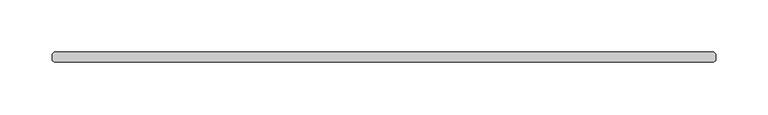
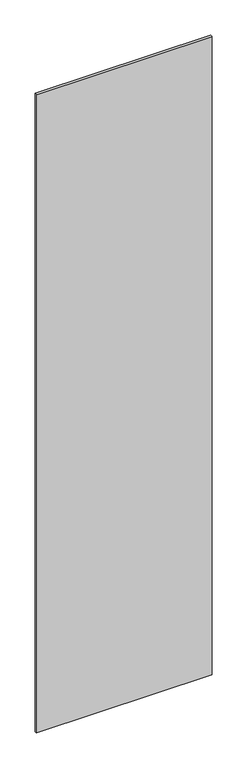
"""IFC4 building model written with IfcOpenShell, lengths in millimetres: plate geometry."""

import ifcopenshell
import ifcopenshell.guid

model = None  # the IFC model being written
_history = None  # IfcOwnerHistory: only IFC2X3 demands one
_inside = {}  # id of a spatial element -> (the spatial element, [elements in it])
_under = {}  # id of a project, library or spatial element -> (it, [spatial elements below it])
_declared = {}  # id of a project -> (the project, [libraries it declares])
_typed = {}  # id of a type object -> (the type object, [elements of that type])
_made_of = {}  # id of a material, layer set ... -> (it, [elements and type objects made of it])


def new_model(schema):
    """Start an empty IFC model of exactly this schema.

    Asked for "IFC4X3", IfcOpenShell would pick the latest addendum, in which some entities
    have other attributes; the version numbers below select the first issue.
    IFC2X3 requires an IfcOwnerHistory on every rooted entity: one is made here for all.
    """
    global model, _history
    if schema == "IFC4X3":
        model = ifcopenshell.file(schema_version=(4, 3, 0, 0))
    else:
        model = ifcopenshell.file(schema=schema)
    _inside.clear()
    _under.clear()
    _declared.clear()
    _typed.clear()
    _made_of.clear()
    _history = None
    if model.schema == "IFC2X3":
        org = make("IfcOrganization", Name="unknown")
        user = make(
            "IfcPersonAndOrganization",
            ThePerson=make("IfcPerson", FamilyName="unknown"),
            TheOrganization=org,
        )
        app = make(
            "IfcApplication",
            ApplicationDeveloper=org,
            Version="unknown",
            ApplicationFullName="unknown",
            ApplicationIdentifier="unknown",
        )
        _history = make(
            "IfcOwnerHistory",
            OwningUser=user,
            OwningApplication=app,
            ChangeAction="ADDED",
            CreationDate=0,
        )
    return model


def make(cls, **values):
    """One entity of the class cls with the attributes given. An attribute that is None is left unset."""
    return model.create_entity(
        cls, **{name: value for name, value in values.items() if value is not None}
    )


def rooted(cls, **values):
    """An entity with a GlobalId (a new one), such as an element, a storey or a relation."""
    return make(cls, GlobalId=ifcopenshell.guid.new(), OwnerHistory=_history, **values)


def si_unit(unit_type, name, prefix=None):
    """IfcSIUnit, for example si_unit("LENGTHUNIT", "METRE", prefix="MILLI")."""
    return make("IfcSIUnit", UnitType=unit_type, Prefix=prefix, Name=name)


def assignment(units):
    """IfcUnitAssignment: the units of a project."""
    return None if units is None else make("IfcUnitAssignment", Units=units)


def point(xyz):
    """IfcCartesianPoint."""
    return None if xyz is None else make("IfcCartesianPoint", Coordinates=xyz)


def direction(xyz):
    """IfcDirection."""
    return None if xyz is None else make("IfcDirection", DirectionRatios=xyz)


def frame(location, z_axis=None, x_axis=None):
    """IfcAxis2Placement3D, a coordinate frame: its origin and axes. An axis left out is left unset."""
    return make(
        "IfcAxis2Placement3D",
        Location=point(location),
        Axis=direction(z_axis),
        RefDirection=direction(x_axis),
    )


def origin():
    """The frame at (0, 0, 0) with its axes left unset."""
    return frame((0.0, 0.0, 0.0))


def origin_with_axes():
    """The frame at (0, 0, 0) with the z axis (0, 0, 1) and the x axis (1, 0, 0) written out."""
    return frame((0.0, 0.0, 0.0), z_axis=(0.0, 0.0, 1.0), x_axis=(1.0, 0.0, 0.0))


def place(relative_to, where):
    """IfcLocalPlacement: puts the frame where relative to a parent placement (None: the world)."""
    return make(
        "IfcLocalPlacement", PlacementRelTo=relative_to, RelativePlacement=where
    )


def context(
    kind, dimensions, precision=None, world=None, true_north=None, identifier=None
):
    """IfcGeometricRepresentationContext, for example the 3D "Model" context."""
    return make(
        "IfcGeometricRepresentationContext",
        ContextIdentifier=identifier,
        ContextType=kind,
        CoordinateSpaceDimension=dimensions,
        Precision=precision,
        WorldCoordinateSystem=world,
        TrueNorth=true_north,
    )


def project(units=None, contexts=None):
    """IfcProject with its units and contexts."""
    return rooted(
        "IfcProject",
        Name="project",
        RepresentationContexts=contexts,
        UnitsInContext=assignment(units),
    )


def spatial(cls, under=None, at=None, **own):
    """A site, building, storey or space (cls), placed at a placement, below another one or the project."""
    s = rooted(cls, ObjectPlacement=at, **own)
    if under is not None:
        _under.setdefault(under.id(), (under, []))[1].append(s)
    return s


def polyline(points):
    """IfcPolyline through the points."""
    return make("IfcPolyline", Points=[point(p) for p in points])


def outline(outer, holes=None, kind="AREA"):
    """IfcArbitraryClosedProfileDef: a profile drawn as a closed curve; with holes, ...WithVoids."""
    if holes is None:
        return make("IfcArbitraryClosedProfileDef", ProfileType=kind, OuterCurve=outer)
    return make(
        "IfcArbitraryProfileDefWithVoids",
        ProfileType=kind,
        OuterCurve=outer,
        InnerCurves=holes,
    )


def extrude(swept, where, along, depth):
    """IfcExtrudedAreaSolid: the profile swept, set in the frame where, extruded along a direction by depth."""
    return make(
        "IfcExtrudedAreaSolid",
        SweptArea=swept,
        Position=where,
        ExtrudedDirection=direction(along),
        Depth=depth,
    )


def shape(context_of_items, identifier, shape_type, items):
    """IfcShapeRepresentation: the items that make up one representation, for example the "Body"."""
    return make(
        "IfcShapeRepresentation",
        ContextOfItems=context_of_items,
        RepresentationIdentifier=identifier,
        RepresentationType=shape_type,
        Items=items,
    )


def source(mapping_origin, context_of_items, identifier, shape_type, items):
    """IfcRepresentationMap: a shape defined once, which mapped items show again and again."""
    return make(
        "IfcRepresentationMap",
        MappingOrigin=mapping_origin,
        MappedRepresentation=shape(context_of_items, identifier, shape_type, items),
    )


def transform(
    local_origin,
    x_axis=None,
    y_axis=None,
    z_axis=None,
    scale=None,
    scale2=None,
    scale3=None,
    uniform=True,
):
    """IfcCartesianTransformationOperator3D, or its non-uniform kind. x_axis, y_axis, z_axis: its Axis1, 2, 3."""
    if uniform:
        return make(
            "IfcCartesianTransformationOperator3D",
            Axis1=direction(x_axis),
            Axis2=direction(y_axis),
            LocalOrigin=point(local_origin),
            Scale=scale,
            Axis3=direction(z_axis),
        )
    return make(
        "IfcCartesianTransformationOperator3DnonUniform",
        Axis1=direction(x_axis),
        Axis2=direction(y_axis),
        LocalOrigin=point(local_origin),
        Scale=scale,
        Axis3=direction(z_axis),
        Scale2=scale2,
        Scale3=scale3,
    )


def mapped(mapping_source, mapping_target):
    """IfcMappedItem: shows the shape of a source again, moved by a transform."""
    return make(
        "IfcMappedItem", MappingSource=mapping_source, MappingTarget=mapping_target
    )


def made_of(thing, what):
    """Note that an element or type object is made of a material, layer set ...; save() writes the relation."""
    if what is not None:
        _made_of.setdefault(what.id(), (what, []))[1].append(thing)
    return thing


def element(
    cls,
    number,
    at=None,
    inside=None,
    cuts=None,
    type_object=None,
    material=None,
    context=None,
    identifier="Body",
    shape_type=None,
    held_by="IfcProductDefinitionShape",
    body=None,
    shapes=None,
    **own,
):
    """One element of the class cls, such as IfcWall. Its Tag is "e" and its number.

    at: its placement. inside: the storey or other place that contains it. cuts: it is an
    opening in that element (IfcRelVoidsElement). A single representation is given by context,
    identifier, shape_type and body (its items); several are given by shapes. held_by: the class
    of the entity that holds the representations. save() writes the other relations.
    """
    e = rooted(cls, Tag="e%d" % number, ObjectPlacement=at, **own)
    if body is not None:
        shapes = [shape(context, identifier, shape_type, body)]
    if shapes is not None:
        e.Representation = make(held_by, Representations=shapes)
    if inside is not None:
        _inside.setdefault(inside.id(), (inside, []))[1].append(e)
    if cuts is not None:
        rooted(
            "IfcRelVoidsElement", RelatingBuildingElement=cuts, RelatedOpeningElement=e
        )
    if type_object is not None:
        _typed.setdefault(type_object.id(), (type_object, []))[1].append(e)
    return made_of(e, material)


def aggregate(whole, parts):
    """IfcRelAggregates: a whole, such as a stair, and the parts it consists of."""
    return rooted("IfcRelAggregates", RelatingObject=whole, RelatedObjects=parts)


def save(model, path):
    """Write the relations noted so far, then the file.

    IfcRelAggregates (storeys below a building ...), IfcRelContainedInSpatialStructure (elements
    in a storey), IfcRelDefinesByType, IfcRelAssociatesMaterial and IfcRelDeclares: one each for
    every whole, place, type object, material and project.
    """
    for whole, parts in _under.values():
        aggregate(whole, parts)
    for where, things in _inside.values():
        rooted(
            "IfcRelContainedInSpatialStructure",
            RelatedElements=things,
            RelatingStructure=where,
        )
    for kind, things in _typed.values():
        rooted("IfcRelDefinesByType", RelatedObjects=things, RelatingType=kind)
    for what, things in _made_of.values():
        rooted("IfcRelAssociatesMaterial", RelatedObjects=things, RelatingMaterial=what)
    for by, libraries in _declared.values():
        rooted("IfcRelDeclares", RelatingContext=by, RelatedDefinitions=libraries)
    model.write(path)


def plate_2f257fd6(model_context):
    return source(origin(), model_context, "Body", "SweptSolid", [
        extrude(outline(polyline([(315.11875, -4.7625), (-315.11875, -4.7625), (-316.70625, -3.175), (-316.70625, 3.175), (-315.11875, 4.7625), (315.11875, 4.7625), (316.70625, 3.175), (316.70625, -3.175), (315.11875, -4.7625)])), origin_with_axes(), (0.0, 0.0, 1.0), 2427.1914267),
    ])


if __name__ == "__main__":
    model = new_model("IFC4")
    model_context = context("Model", 3, world=origin())
    ifc_project = project(units=[si_unit("LENGTHUNIT", "METRE", prefix="MILLI")], contexts=[model_context])
    site = spatial("IfcSite", under=ifc_project)
    building = spatial("IfcBuilding", under=site)
    placement = place(None, origin())
    plate_shape = plate_2f257fd6(model_context)
    element("IfcPlate", 1, at=placement, inside=building, context=model_context, shape_type="MappedRepresentation", body=[
        mapped(plate_shape, transform((0.0, 0.0, 0.0), x_axis=(1.0, 0.0, 0.0), y_axis=(0.0, 1.0, 0.0), z_axis=(0.0, 0.0, 1.0))),
    ])
    save(model, "model.ifc")
